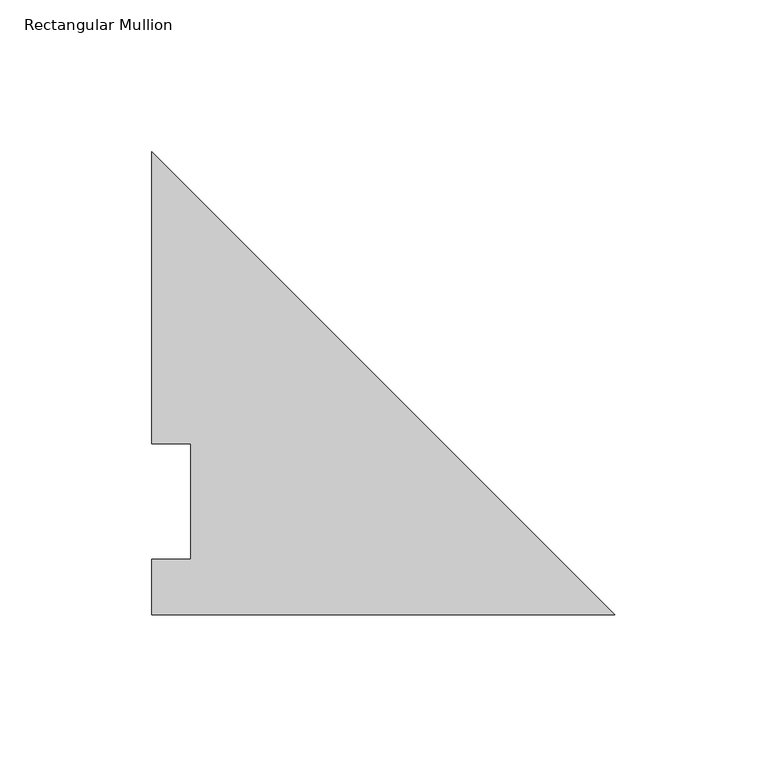
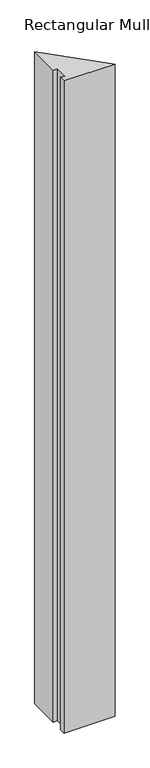
"""IFC4 building model written with IfcOpenShell, lengths in millimetres: member geometry, Rectangular Mullion."""

import ifcopenshell
import ifcopenshell.guid

model = None  # the IFC model being written
_history = None  # IfcOwnerHistory: only IFC2X3 demands one
_inside = {}  # id of a spatial element -> (the spatial element, [elements in it])
_under = {}  # id of a project, library or spatial element -> (it, [spatial elements below it])
_declared = {}  # id of a project -> (the project, [libraries it declares])
_typed = {}  # id of a type object -> (the type object, [elements of that type])
_made_of = {}  # id of a material, layer set ... -> (it, [elements and type objects made of it])


def new_model(schema):
    """Start an empty IFC model of exactly this schema.

    Asked for "IFC4X3", IfcOpenShell would pick the latest addendum, in which some entities
    have other attributes; the version numbers below select the first issue.
    IFC2X3 requires an IfcOwnerHistory on every rooted entity: one is made here for all.
    """
    global model, _history
    if schema == "IFC4X3":
        model = ifcopenshell.file(schema_version=(4, 3, 0, 0))
    else:
        model = ifcopenshell.file(schema=schema)
    _inside.clear()
    _under.clear()
    _declared.clear()
    _typed.clear()
    _made_of.clear()
    _history = None
    if model.schema == "IFC2X3":
        org = make("IfcOrganization", Name="unknown")
        user = make(
            "IfcPersonAndOrganization",
            ThePerson=make("IfcPerson", FamilyName="unknown"),
            TheOrganization=org,
        )
        app = make(
            "IfcApplication",
            ApplicationDeveloper=org,
            Version="unknown",
            ApplicationFullName="unknown",
            ApplicationIdentifier="unknown",
        )
        _history = make(
            "IfcOwnerHistory",
            OwningUser=user,
            OwningApplication=app,
            ChangeAction="ADDED",
            CreationDate=0,
        )
    return model


def make(cls, **values):
    """One entity of the class cls with the attributes given. An attribute that is None is left unset."""
    return model.create_entity(
        cls, **{name: value for name, value in values.items() if value is not None}
    )


def rooted(cls, **values):
    """An entity with a GlobalId (a new one), such as an element, a storey or a relation."""
    return make(cls, GlobalId=ifcopenshell.guid.new(), OwnerHistory=_history, **values)


def si_unit(unit_type, name, prefix=None):
    """IfcSIUnit, for example si_unit("LENGTHUNIT", "METRE", prefix="MILLI")."""
    return make("IfcSIUnit", UnitType=unit_type, Prefix=prefix, Name=name)


def assignment(units):
    """IfcUnitAssignment: the units of a project."""
    return None if units is None else make("IfcUnitAssignment", Units=units)


def point(xyz):
    """IfcCartesianPoint."""
    return None if xyz is None else make("IfcCartesianPoint", Coordinates=xyz)


def direction(xyz):
    """IfcDirection."""
    return None if xyz is None else make("IfcDirection", DirectionRatios=xyz)


def frame(location, z_axis=None, x_axis=None):
    """IfcAxis2Placement3D, a coordinate frame: its origin and axes. An axis left out is left unset."""
    return make(
        "IfcAxis2Placement3D",
        Location=point(location),
        Axis=direction(z_axis),
        RefDirection=direction(x_axis),
    )


def origin():
    """The frame at (0, 0, 0) with its axes left unset."""
    return frame((0.0, 0.0, 0.0))


def place(relative_to, where):
    """IfcLocalPlacement: puts the frame where relative to a parent placement (None: the world)."""
    return make(
        "IfcLocalPlacement", PlacementRelTo=relative_to, RelativePlacement=where
    )


def context(
    kind, dimensions, precision=None, world=None, true_north=None, identifier=None
):
    """IfcGeometricRepresentationContext, for example the 3D "Model" context."""
    return make(
        "IfcGeometricRepresentationContext",
        ContextIdentifier=identifier,
        ContextType=kind,
        CoordinateSpaceDimension=dimensions,
        Precision=precision,
        WorldCoordinateSystem=world,
        TrueNorth=true_north,
    )


def project(units=None, contexts=None):
    """IfcProject with its units and contexts."""
    return rooted(
        "IfcProject",
        Name="project",
        RepresentationContexts=contexts,
        UnitsInContext=assignment(units),
    )


def spatial(cls, under=None, at=None, **own):
    """A site, building, storey or space (cls), placed at a placement, below another one or the project."""
    s = rooted(cls, ObjectPlacement=at, **own)
    if under is not None:
        _under.setdefault(under.id(), (under, []))[1].append(s)
    return s


def polyline(points):
    """IfcPolyline through the points."""
    return make("IfcPolyline", Points=[point(p) for p in points])


def outline(outer, holes=None, kind="AREA"):
    """IfcArbitraryClosedProfileDef: a profile drawn as a closed curve; with holes, ...WithVoids."""
    if holes is None:
        return make("IfcArbitraryClosedProfileDef", ProfileType=kind, OuterCurve=outer)
    return make(
        "IfcArbitraryProfileDefWithVoids",
        ProfileType=kind,
        OuterCurve=outer,
        InnerCurves=holes,
    )


def extrude(swept, where, along, depth):
    """IfcExtrudedAreaSolid: the profile swept, set in the frame where, extruded along a direction by depth."""
    return make(
        "IfcExtrudedAreaSolid",
        SweptArea=swept,
        Position=where,
        ExtrudedDirection=direction(along),
        Depth=depth,
    )


def shape(context_of_items, identifier, shape_type, items):
    """IfcShapeRepresentation: the items that make up one representation, for example the "Body"."""
    return make(
        "IfcShapeRepresentation",
        ContextOfItems=context_of_items,
        RepresentationIdentifier=identifier,
        RepresentationType=shape_type,
        Items=items,
    )


def source(mapping_origin, context_of_items, identifier, shape_type, items):
    """IfcRepresentationMap: a shape defined once, which mapped items show again and again."""
    return make(
        "IfcRepresentationMap",
        MappingOrigin=mapping_origin,
        MappedRepresentation=shape(context_of_items, identifier, shape_type, items),
    )


def transform(
    local_origin,
    x_axis=None,
    y_axis=None,
    z_axis=None,
    scale=None,
    scale2=None,
    scale3=None,
    uniform=True,
):
    """IfcCartesianTransformationOperator3D, or its non-uniform kind. x_axis, y_axis, z_axis: its Axis1, 2, 3."""
    if uniform:
        return make(
            "IfcCartesianTransformationOperator3D",
            Axis1=direction(x_axis),
            Axis2=direction(y_axis),
            LocalOrigin=point(local_origin),
            Scale=scale,
            Axis3=direction(z_axis),
        )
    return make(
        "IfcCartesianTransformationOperator3DnonUniform",
        Axis1=direction(x_axis),
        Axis2=direction(y_axis),
        LocalOrigin=point(local_origin),
        Scale=scale,
        Axis3=direction(z_axis),
        Scale2=scale2,
        Scale3=scale3,
    )


def mapped(mapping_source, mapping_target):
    """IfcMappedItem: shows the shape of a source again, moved by a transform."""
    return make(
        "IfcMappedItem", MappingSource=mapping_source, MappingTarget=mapping_target
    )


def made_of(thing, what):
    """Note that an element or type object is made of a material, layer set ...; save() writes the relation."""
    if what is not None:
        _made_of.setdefault(what.id(), (what, []))[1].append(thing)
    return thing


def element(
    cls,
    number,
    at=None,
    inside=None,
    cuts=None,
    type_object=None,
    material=None,
    context=None,
    identifier="Body",
    shape_type=None,
    held_by="IfcProductDefinitionShape",
    body=None,
    shapes=None,
    **own,
):
    """One element of the class cls, such as IfcWall. Its Tag is "e" and its number.

    at: its placement. inside: the storey or other place that contains it. cuts: it is an
    opening in that element (IfcRelVoidsElement). A single representation is given by context,
    identifier, shape_type and body (its items); several are given by shapes. held_by: the class
    of the entity that holds the representations. save() writes the other relations.
    """
    e = rooted(cls, Tag="e%d" % number, ObjectPlacement=at, **own)
    if body is not None:
        shapes = [shape(context, identifier, shape_type, body)]
    if shapes is not None:
        e.Representation = make(held_by, Representations=shapes)
    if inside is not None:
        _inside.setdefault(inside.id(), (inside, []))[1].append(e)
    if cuts is not None:
        rooted(
            "IfcRelVoidsElement", RelatingBuildingElement=cuts, RelatedOpeningElement=e
        )
    if type_object is not None:
        _typed.setdefault(type_object.id(), (type_object, []))[1].append(e)
    return made_of(e, material)


def aggregate(whole, parts):
    """IfcRelAggregates: a whole, such as a stair, and the parts it consists of."""
    return rooted("IfcRelAggregates", RelatingObject=whole, RelatedObjects=parts)


def save(model, path):
    """Write the relations noted so far, then the file.

    IfcRelAggregates (storeys below a building ...), IfcRelContainedInSpatialStructure (elements
    in a storey), IfcRelDefinesByType, IfcRelAssociatesMaterial and IfcRelDeclares: one each for
    every whole, place, type object, material and project.
    """
    for whole, parts in _under.values():
        aggregate(whole, parts)
    for where, things in _inside.values():
        rooted(
            "IfcRelContainedInSpatialStructure",
            RelatedElements=things,
            RelatingStructure=where,
        )
    for kind, things in _typed.values():
        rooted("IfcRelDefinesByType", RelatedObjects=things, RelatingType=kind)
    for what, things in _made_of.values():
        rooted("IfcRelAssociatesMaterial", RelatedObjects=things, RelatingMaterial=what)
    for by, libraries in _declared.values():
        rooted("IfcRelDeclares", RelatingContext=by, RelatedDefinitions=libraries)
    model.write(path)


def rectangular_mullion_7487dee8(model_context):
    return source(origin(), model_context, "Body", "SweptSolid", [
        extrude(outline(polyline([(0.0, -0.0317501), (-152.4000001, -0.0317501), (-152.4000001, 18.25625), (-139.7000001, 18.25625), (-139.7000001, 56.35625), (-152.4000001, 56.35625), (-152.4000001, 152.36825), (0.0, -0.0317501)])), frame((0.0, 0.0, -2063.75), z_axis=(0.0, 0.0, 1.0), x_axis=(1.0, 0.0, 0.0)), (0.0, 0.0, 1.0), 2063.75),
    ])


if __name__ == "__main__":
    model = new_model("IFC4")
    model_context = context("Model", 3, world=origin())
    ifc_project = project(units=[si_unit("LENGTHUNIT", "METRE", prefix="MILLI")], contexts=[model_context])
    site = spatial("IfcSite", under=ifc_project)
    building = spatial("IfcBuilding", under=site)
    placement = place(None, origin())
    rectangular_mullion_shape = rectangular_mullion_7487dee8(model_context)
    element("IfcMember", 1, ObjectType="Rectangular Mullion", at=placement, inside=building, context=model_context, shape_type="MappedRepresentation", body=[
        mapped(rectangular_mullion_shape, transform((0.0, 0.0, 0.0), x_axis=(1.0, 0.0, 0.0), y_axis=(0.0, 1.0, 0.0), z_axis=(0.0, 0.0, 1.0))),
    ])
    save(model, "model.ifc")
